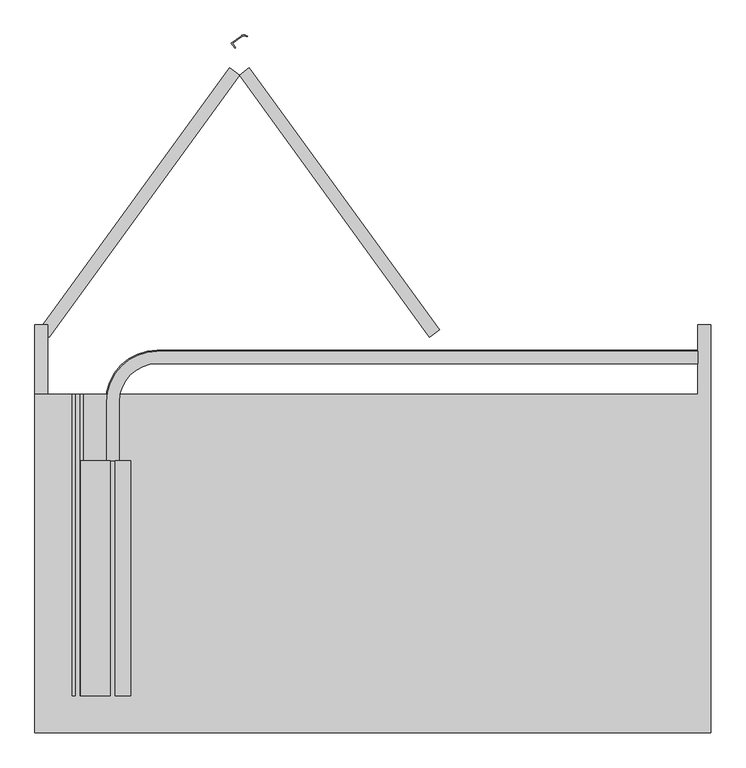
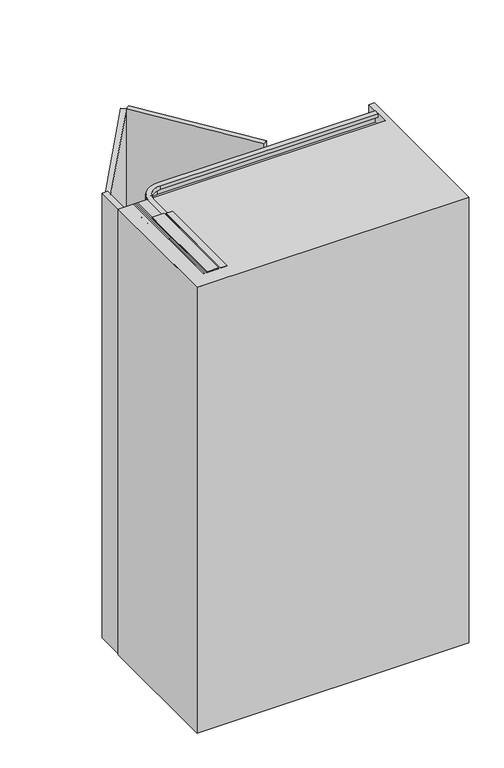
"""IFC4 building model written with IfcOpenShell, lengths in millimetres: furniture geometry."""

from ifc_helpers import new_model, si_unit, point, frame, frame_2d, origin, origin_with_axes, place, context, project, spatial, polyline, circle_curve, trimmed, segment, composite_curve, outline, extrude, faceted_brep, source, transform, mapped, element, save
from ifc_brep_helpers import plane_surface, cylinder_surface, revolved_surface, advanced_brep


def furniture_08386f6d(model_context):
    return source(origin(), model_context, "Body", "SolidModel", [
        extrude(outline(composite_curve([segment(polyline([(175.4393529, 541.7728766), (180.4355276, 534.8962321), (179.2220021, 534.0145543), (173.3441496, 542.1047242), (188.3261992, 552.9898205)]), True, "CONTINUOUS"), segment(trimmed(circle_curve(frame_2d((193.3137225, 546.1250836)), 8.4852814), [point((188.3261992, 552.9898205))], [point((198.6536831, 552.7193858))], False, "CARTESIAN"), True, "CONTINUOUS"), segment(polyline([(198.6536831, 552.7193858), (197.7097025, 551.5536668)]), True, "CONTINUOUS"), segment(trimmed(circle_curve(frame_2d((193.3137225, 546.1250836)), 6.9852814), [point((197.7097025, 551.5536668))], [point((189.2078771, 551.776295))], True, "CARTESIAN"), True, "CONTINUOUS"), segment(polyline([(189.2078771, 551.776295), (175.4393529, 541.7728766)]), True, "CONTINUOUS")], self_intersect=False)), frame((0.0, 0.0, 1110.0), z_axis=(0.0, 0.0, 1.0), x_axis=(1.0, 0.0, 0.0)), (0.0, 0.0, 1.0), 180.0),
        extrude(outline(polyline([(1807.9932635, 18.0), (1807.9932635, -6.170682), (1804.7432635, -6.170682), (1804.7432635, -3.85), (1802.2932635, -3.85), (1802.2932635, -15.85), (1804.7432635, -15.85), (1804.7432635, -13.6), (1810.9932635, -13.6), (1810.9932635, -59.4403391), (1807.0, -56.6442259), (1807.0, -60.2560852), (1801.0432635, -60.2560852), (1801.0432635, -58.0), (1798.7432635, -58.0), (1798.7432635, -70.0), (1801.0432635, -70.0), (1801.0432635, -67.75), (1803.6432635, -67.75), (1803.6432635, -72.0), (1795.3932635, -72.0), (1795.3932635, -67.5), (1792.7432635, -67.5), (1792.7432635, -69.75), (1790.7432635, -69.75), (1790.7432635, -58.25), (1792.7432635, -58.25), (1792.7432635, -60.5), (1795.3932635, -60.5), (1795.3932635, -55.0), (1807.0, -55.0), (1807.0, -20.85), (1752.9932635, -20.85), (1752.9932635, -14.4), (1759.2932635, -8.1), (1760.7932635, -8.1), (1760.7932635, -18.1), (1798.3932635, -18.1), (1798.3932635, -3.85), (1791.8932635, -3.85), (1791.8932635, 0.0), (1804.0042028, 0.0), (1804.0042028, 18.0), (1807.9932635, 18.0)])), frame((0.0, -466.0, 0.0), z_axis=(0.0, 1.0, 0.0), x_axis=(0.0, 0.0, 1.0)), (0.0, 0.0, 1.0), 363.2148209),
        advanced_brep(
        [(894.0, 47.150158, 1791.899902), (894.0, 51.050134, 1791.899902), (894.0, 51.050134, 1798.4), (894.0, 65.250134, 1798.4), (894.0, 65.250134, 1760.8), (894.0, 55.250134, 1760.8), (894.0, 55.250134, 1757.8), (894.0, 61.000134, 1757.8), (894.0, 61.000134, 1753.0), (894.0, 66.000134, 1753.0), (894.0, 66.000134, 1757.8), (894.0, 68.000134, 1757.8), (894.0, 68.000134, 1802.2), (894.0, 66.000134, 1802.2), (894.0, 66.000134, 1807.0), (894.0, 47.150158, 1807.0), (-2.4e-05, -102.7851791, 1791.899902), (-2.4e-05, -102.7851791, 1807.0), (-18.85, -102.7851791, 1807.0), (-18.85, -102.7851791, 1802.2), (-20.85, -102.7851791, 1802.2), (-20.85, -102.7851791, 1757.8), (-18.85, -102.7851791, 1757.8), (-18.85, -102.7851791, 1753.0), (-13.85, -102.7851791, 1753.0), (-13.85, -102.7851791, 1757.8), (-8.1, -102.7851791, 1757.8), (-8.1, -102.7851791, 1760.8), (-18.1, -102.7851791, 1760.8), (-18.1, -102.7851791, 1798.4), (-3.9, -102.7851791, 1798.4), (-3.9, -102.7851791, 1791.899902), (59.150134, 47.150158, 1807.0), (59.150134, 47.150158, 1791.899902), (59.150134, 66.000134, 1807.0), (-18.85, -12.0, 1807.0), (-2.4e-05, -12.0, 1807.0), (59.150134, 66.000134, 1802.2), (59.150134, 68.000134, 1802.2), (-20.85, -12.0, 1802.2), (-18.85, -12.0, 1802.2), (59.150134, 68.000134, 1757.8), (59.150134, 66.000134, 1757.8), (-18.85, -12.0, 1757.8), (-20.85, -12.0, 1757.8), (59.150134, 66.000134, 1753.0), (59.150134, 61.000134, 1753.0), (-13.85, -12.0, 1753.0), (-18.85, -12.0, 1753.0), (59.150134, 61.000134, 1757.8), (59.150134, 55.250134, 1757.8), (-8.1, -12.0, 1757.8), (-13.85, -12.0, 1757.8), (59.150134, 55.250134, 1760.8), (59.150134, 65.250134, 1760.8), (-18.1, -12.0, 1760.8), (-8.1, -12.0, 1760.8), (59.150134, 65.250134, 1798.4), (59.150134, 51.050134, 1798.4), (-3.9, -12.0, 1798.4), (-18.1, -12.0, 1798.4), (59.150134, 51.050134, 1791.899902), (-2.4e-05, -12.0, 1791.899902), (-3.9, -12.0, 1791.899902)],
        [
            (0, 1),
            (1, 2),
            (2, 3),
            (3, 4),
            (4, 5),
            (5, 6),
            (6, 7),
            (7, 8),
            (8, 9),
            (9, 10),
            (10, 11),
            (11, 12),
            (12, 13),
            (13, 14),
            (14, 15),
            (15, 0),
            (16, 17),
            (17, 18),
            (18, 19),
            (19, 20),
            (20, 21),
            (21, 22),
            (22, 23),
            (23, 24),
            (24, 25),
            (25, 26),
            (26, 27),
            (27, 28),
            (28, 29),
            (29, 30),
            (30, 31),
            (31, 16),
            (15, 32),
            (32, 33),
            (33, 0),
            (14, 34),
            (34, 35, circle_curve(frame((59.150134, -12.0, 1807.0), z_axis=(0.0, 0.0, 1.0), x_axis=(0.0, 1.0, 0.0)), 78.000134)),
            (35, 18),
            (17, 36),
            (36, 32, circle_curve(frame((59.150134, -12.0, 1807.0), z_axis=(0.0, 0.0, -1.0), x_axis=(0.0, 1.0, 0.0)), 59.150158)),
            (13, 37),
            (37, 34),
            (12, 38),
            (38, 39, circle_curve(frame((59.150134, -12.0, 1802.2), z_axis=(0.0, 0.0, 1.0), x_axis=(0.0, 1.0, 0.0)), 80.000134)),
            (39, 20),
            (19, 40),
            (40, 37, circle_curve(frame((59.150134, -12.0, 1802.2), z_axis=(0.0, 0.0, -1.0), x_axis=(0.0, 1.0, 0.0)), 78.000134)),
            (11, 41),
            (41, 38),
            (10, 42),
            (42, 43, circle_curve(frame((59.150134, -12.0, 1757.8), z_axis=(0.0, 0.0, 1.0), x_axis=(0.0, 1.0, 0.0)), 78.000134)),
            (43, 22),
            (21, 44),
            (44, 41, circle_curve(frame((59.150134, -12.0, 1757.8), z_axis=(0.0, 0.0, -1.0), x_axis=(0.0, 1.0, 0.0)), 80.000134)),
            (9, 45),
            (45, 42),
            (8, 46),
            (46, 47, circle_curve(frame((59.150134, -12.0, 1753.0), z_axis=(0.0, 0.0, 1.0), x_axis=(0.0, 1.0, 0.0)), 73.000134)),
            (47, 24),
            (23, 48),
            (48, 45, circle_curve(frame((59.150134, -12.0, 1753.0), z_axis=(0.0, 0.0, -1.0), x_axis=(0.0, 1.0, 0.0)), 78.000134)),
            (7, 49),
            (49, 46),
            (6, 50),
            (50, 51, circle_curve(frame((59.150134, -12.0, 1757.8), z_axis=(0.0, 0.0, 1.0), x_axis=(0.0, 1.0, 0.0)), 67.250134)),
            (51, 26),
            (25, 52),
            (52, 49, circle_curve(frame((59.150134, -12.0, 1757.8), z_axis=(0.0, 0.0, -1.0), x_axis=(0.0, 1.0, 0.0)), 73.000134)),
            (5, 53),
            (53, 50),
            (4, 54),
            (54, 55, circle_curve(frame((59.150134, -12.0, 1760.8), z_axis=(0.0, 0.0, 1.0), x_axis=(0.0, 1.0, 0.0)), 77.250134)),
            (55, 28),
            (27, 56),
            (56, 53, circle_curve(frame((59.150134, -12.0, 1760.8), z_axis=(0.0, 0.0, -1.0), x_axis=(0.0, 1.0, 0.0)), 67.250134)),
            (3, 57),
            (57, 54),
            (2, 58),
            (58, 59, circle_curve(frame((59.150134, -12.0, 1798.4), z_axis=(0.0, 0.0, 1.0), x_axis=(0.0, 1.0, 0.0)), 63.050134)),
            (59, 30),
            (29, 60),
            (60, 57, circle_curve(frame((59.150134, -12.0, 1798.4), z_axis=(0.0, 0.0, -1.0), x_axis=(0.0, 1.0, 0.0)), 77.250134)),
            (1, 61),
            (61, 58),
            (33, 62, circle_curve(frame((59.150134, -12.0, 1791.899902), z_axis=(0.0, 0.0, 1.0), x_axis=(0.0, 1.0, 0.0)), 59.150158)),
            (62, 16),
            (31, 63),
            (63, 61, circle_curve(frame((59.150134, -12.0, 1791.899902), z_axis=(0.0, 0.0, -1.0), x_axis=(0.0, 1.0, 0.0)), 63.050134)),
            (36, 62),
            (40, 35),
            (44, 39),
            (48, 43),
            (52, 47),
            (56, 51),
            (60, 55),
            (63, 59),
        ],
        [
            plane_surface(frame((894.0, 88.0, 1807.0), z_axis=(1.0, 0.0, 0.0), x_axis=(0.0, 0.0, 1.0))),
            plane_surface(frame((-40.849866, -102.7851791, 1807.0), z_axis=(0.0, -1.0, 0.0), x_axis=(0.0, 0.0, 1.0))),
            plane_surface(frame((894.0, 47.150158, 1791.899902), z_axis=(0.0, -1.0, 0.0), x_axis=(-1.0, 0.0, 0.0))),
            plane_surface(frame((894.0, 47.150158, 1807.0), z_axis=(0.0, 0.0, 1.0), x_axis=(-1.0, 0.0, 0.0))),
            plane_surface(frame((894.0, 66.000134, 1807.0), z_axis=(0.0, 1.0, 0.0), x_axis=(-1.0, 0.0, 0.0))),
            plane_surface(frame((894.0, 66.000134, 1802.2), z_axis=(0.0, 0.0, 1.0), x_axis=(-1.0, 0.0, 0.0))),
            plane_surface(frame((894.0, 68.000134, 1802.2), z_axis=(0.0, 1.0, 0.0), x_axis=(-1.0, 0.0, 0.0))),
            plane_surface(frame((894.0, 68.000134, 1757.8), z_axis=(0.0, 0.0, -1.0), x_axis=(-1.0, 0.0, 0.0))),
            plane_surface(frame((894.0, 66.000134, 1757.8), z_axis=(0.0, 1.0, 0.0), x_axis=(-1.0, 0.0, 0.0))),
            plane_surface(frame((894.0, 66.000134, 1753.0), z_axis=(0.0, 0.0, -1.0), x_axis=(-1.0, 0.0, 0.0))),
            plane_surface(frame((894.0, 61.000134, 1753.0), z_axis=(0.0, -1.0, 0.0), x_axis=(-1.0, 0.0, 0.0))),
            plane_surface(frame((894.0, 61.000134, 1757.8), z_axis=(0.0, 0.0, -1.0), x_axis=(-1.0, 0.0, 0.0))),
            plane_surface(frame((894.0, 55.250134, 1757.8), z_axis=(0.0, -1.0, 0.0), x_axis=(-1.0, 0.0, 0.0))),
            plane_surface(frame((894.0, 55.250134, 1760.8), z_axis=(0.0, 0.0, 1.0), x_axis=(-1.0, 0.0, 0.0))),
            plane_surface(frame((894.0, 65.250134, 1760.8), z_axis=(0.0, -1.0, 0.0), x_axis=(-1.0, 0.0, 0.0))),
            plane_surface(frame((894.0, 65.250134, 1798.4), z_axis=(0.0, 0.0, -1.0), x_axis=(-1.0, 0.0, 0.0))),
            plane_surface(frame((894.0, 51.050134, 1798.4), z_axis=(0.0, 1.0, 0.0), x_axis=(-1.0, 0.0, 0.0))),
            plane_surface(frame((894.0, 51.050134, 1791.899902), z_axis=(0.0, 0.0, -1.0), x_axis=(-1.0, 0.0, 0.0))),
            revolved_surface(polyline([(59.150134, 47.150158, 1791.899902), (59.150134, 47.150158, 1807.0)]), (59.150134, -12.0, 1807.0), (0.0, 0.0, -1.0)),
            cylinder_surface(frame((59.150134, -12.0, 1807.0), z_axis=(0.0, 0.0, -1.0), x_axis=(0.0, 1.0, 0.0)), 78.000134),
            cylinder_surface(frame((59.150134, -12.0, 1807.0), z_axis=(0.0, 0.0, -1.0), x_axis=(0.0, 1.0, 0.0)), 80.000134),
            revolved_surface(polyline([(59.150134, 61.000134, 1753.0), (59.150134, 61.000134, 1757.8)]), (59.150134, -12.0, 1807.0), (0.0, 0.0, -1.0)),
            revolved_surface(polyline([(59.150134, 55.250134, 1757.8), (59.150134, 55.250134, 1760.8)]), (59.150134, -12.0, 1807.0), (0.0, 0.0, -1.0)),
            revolved_surface(polyline([(59.150134, 65.250134, 1760.8), (59.150134, 65.250134, 1798.4)]), (59.150134, -12.0, 1807.0), (0.0, 0.0, -1.0)),
            cylinder_surface(frame((59.150134, -12.0, 1807.0), z_axis=(0.0, 0.0, -1.0), x_axis=(0.0, 1.0, 0.0)), 63.050134),
            plane_surface(frame((-2.4e-05, -12.0, 1791.899902), z_axis=(1.0, 0.0, 0.0), x_axis=(0.0, -1.0, 0.0))),
            plane_surface(frame((-18.85, -12.0, 1807.0), z_axis=(-1.0, 0.0, 0.0), x_axis=(0.0, -1.0, 0.0))),
            plane_surface(frame((-20.85, -12.0, 1802.2), z_axis=(-1.0, 0.0, 0.0), x_axis=(0.0, -1.0, 0.0))),
            plane_surface(frame((-18.85, -12.0, 1757.8), z_axis=(-1.0, 0.0, 0.0), x_axis=(0.0, -1.0, 0.0))),
            plane_surface(frame((-13.85, -12.0, 1753.0), z_axis=(1.0, 0.0, 0.0), x_axis=(0.0, -1.0, 0.0))),
            plane_surface(frame((-8.1, -12.0, 1757.8), z_axis=(1.0, 0.0, 0.0), x_axis=(0.0, -1.0, 0.0))),
            plane_surface(frame((-18.1, -12.0, 1760.8), z_axis=(1.0, 0.0, 0.0), x_axis=(0.0, -1.0, 0.0))),
            plane_surface(frame((-3.9, -12.0, 1798.4), z_axis=(-1.0, 0.0, 0.0), x_axis=(0.0, -1.0, 0.0))),
        ],
        [
            (0, [[1, 2, 3, 4, 5, 6, 7, 8, 9, 10, 11, 12, 13, 14, 15, 16]]),
            (1, [[17, 18, 19, 20, 21, 22, 23, 24, 25, 26, 27, 28, 29, 30, 31, 32]]),
            (2, [[33, 34, 35, -16]]),
            (3, [[36, 37, 38, -18, 39, 40, -33, -15]]),
            (4, [[41, 42, -36, -14]]),
            (5, [[43, 44, 45, -20, 46, 47, -41, -13]]),
            (6, [[48, 49, -43, -12]]),
            (7, [[50, 51, 52, -22, 53, 54, -48, -11]]),
            (8, [[55, 56, -50, -10]]),
            (9, [[57, 58, 59, -24, 60, 61, -55, -9]]),
            (10, [[62, 63, -57, -8]]),
            (11, [[64, 65, 66, -26, 67, 68, -62, -7]]),
            (12, [[69, 70, -64, -6]]),
            (13, [[71, 72, 73, -28, 74, 75, -69, -5]]),
            (14, [[76, 77, -71, -4]]),
            (15, [[78, 79, 80, -30, 81, 82, -76, -3]]),
            (16, [[83, 84, -78, -2]]),
            (17, [[-35, 85, 86, -32, 87, 88, -83, -1]]),
            (18, [[89, -85, -34, -40]]),
            (19, [[90, -37, -42, -47]]),
            (20, [[91, -44, -49, -54]]),
            (19, [[92, -51, -56, -61]]),
            (21, [[93, -58, -63, -68]]),
            (22, [[94, -65, -70, -75]]),
            (23, [[95, -72, -77, -82]]),
            (24, [[96, -79, -84, -88]]),
            (25, [[-39, -17, -86, -89]]),
            (26, [[-46, -19, -38, -90]]),
            (27, [[-53, -21, -45, -91]]),
            (28, [[-60, -23, -52, -92]]),
            (29, [[-67, -25, -59, -93]]),
            (30, [[-74, -27, -66, -94]]),
            (31, [[-81, -29, -73, -95]]),
            (32, [[-87, -31, -80, -96]]),
        ],
    ),
        extrude(outline(polyline([(479.7852523, 88.0), (185.8926261, 492.5084972), (201.263949, 503.676417), (495.1565752, 99.1679198), (479.7852523, 88.0)])), frame((0.0, 0.0, 5.0), z_axis=(0.0, 0.0, 1.0), x_axis=(1.0, 0.0, 0.0)), (0.0, 0.0, 1.0), 1800.0),
        extrude(outline(polyline([(-123.3713229, 99.1679198), (170.5213033, 503.676417), (185.8926261, 492.5084972), (-108.0, 88.0), (-123.3713229, 99.1679198)])), frame((0.0, 0.0, 5.0), z_axis=(0.0, 0.0, 1.0), x_axis=(1.0, 0.0, 0.0)), (0.0, 0.0, 1.0), 1800.0),
        advanced_brep(
        [(-75.6336873, -23.1375322, 1765.724276), (-71.625465, -23.1375322, 1765.724276), (-67.2507667, -23.1375322, 1761.3495777), (-63.4737348, -23.1375322, 1761.3495777), (-63.4737348, -23.1375322, 1733.0547299), (-75.6336873, -23.1375322, 1733.0547299), (-75.6336873, -82.3672808, 1765.724276), (-75.6336873, -82.3672808, 1733.0547299), (-63.4737348, -82.3672808, 1733.0547299), (-63.4737348, -82.3672808, 1761.3495777), (-67.2507667, -82.3672808, 1761.3495777), (-71.625465, -82.3672808, 1765.724276), (-63.4737348, -33.0799821, 1758.673583), (-63.4737348, -26.647587, 1758.673583), (-63.4737348, -26.647587, 1754.158508), (-63.4737348, -33.0799821, 1754.158508), (-63.4737348, -39.5123773, 1754.158508), (-63.4737348, -39.5123773, 1758.673583), (-63.4737348, -72.4549821, 1758.673583), (-63.4737348, -66.022587, 1758.673583), (-63.4737348, -66.022587, 1754.158508), (-63.4737348, -72.4549821, 1754.158508), (-63.4737348, -78.8873773, 1754.158508), (-63.4737348, -78.8873773, 1758.673583), (-57.5, -33.0799821, 1758.673583), (-57.5, -33.0799821, 1754.158508), (-57.5, -72.4549821, 1758.673583), (-57.5, -72.4549821, 1754.158508)],
        [
            (0, 1),
            (1, 2),
            (2, 3),
            (3, 4),
            (4, 5),
            (5, 0),
            (6, 7),
            (7, 8),
            (8, 9),
            (9, 10),
            (10, 11),
            (11, 6),
            (5, 7),
            (6, 0),
            (4, 8),
            (3, 9),
            (12, 13),
            (13, 14),
            (14, 15),
            (15, 16),
            (16, 17),
            (17, 12),
            (18, 19),
            (19, 20),
            (20, 21),
            (21, 22),
            (22, 23),
            (23, 18),
            (2, 10),
            (1, 11),
            (17, 24, circle_curve(frame((-63.950003, -33.0799821, 1758.673583), z_axis=(0.0, 0.0, 1.0), x_axis=(1.0, 0.0, 0.0)), 6.450003)),
            (24, 12),
            (24, 13, circle_curve(frame((-63.950003, -33.0799821, 1758.673583), z_axis=(0.0, 0.0, 1.0), x_axis=(1.0, 0.0, 0.0)), 6.450003)),
            (25, 16, circle_curve(frame((-63.950003, -33.0799821, 1754.158508), z_axis=(0.0, 0.0, -1.0), x_axis=(1.0, 0.0, 0.0)), 6.450003)),
            (15, 25),
            (14, 25, circle_curve(frame((-63.950003, -33.0799821, 1754.158508), z_axis=(0.0, 0.0, -1.0), x_axis=(1.0, 0.0, 0.0)), 6.450003)),
            (25, 24),
            (23, 26, circle_curve(frame((-63.950003, -72.4549821, 1758.673583), z_axis=(0.0, 0.0, 1.0), x_axis=(1.0, 0.0, 0.0)), 6.450003)),
            (26, 18),
            (26, 19, circle_curve(frame((-63.950003, -72.4549821, 1758.673583), z_axis=(0.0, 0.0, 1.0), x_axis=(1.0, 0.0, 0.0)), 6.450003)),
            (27, 22, circle_curve(frame((-63.950003, -72.4549821, 1754.158508), z_axis=(0.0, 0.0, -1.0), x_axis=(1.0, 0.0, 0.0)), 6.450003)),
            (21, 27),
            (20, 27, circle_curve(frame((-63.950003, -72.4549821, 1754.158508), z_axis=(0.0, 0.0, -1.0), x_axis=(1.0, 0.0, 0.0)), 6.450003)),
            (27, 26),
        ],
        [
            plane_surface(frame((-75.6336873, -23.1375322, 1765.724276), z_axis=(0.0, 1.0, 0.0), x_axis=(0.0, 0.0, -1.0))),
            plane_surface(frame((-75.6336873, -82.3672808, 1765.724276), z_axis=(0.0, -1.0, 0.0), x_axis=(0.0, 0.0, 1.0))),
            plane_surface(frame((-75.6336873, -23.1375322, 1765.724276), z_axis=(-1.0, 0.0, 0.0), x_axis=(0.0, -1.0, 0.0))),
            plane_surface(frame((-75.6336873, -23.1375322, 1733.0547299), z_axis=(0.0, 0.0, -1.0), x_axis=(0.0, -1.0, 0.0))),
            plane_surface(frame((-63.4737348, -23.1375322, 1733.0547299), z_axis=(1.0, 0.0, 0.0), x_axis=(0.0, -1.0, 0.0))),
            plane_surface(frame((-63.4737348, -23.1375322, 1761.3495777), z_axis=(0.0, 0.0, 1.0), x_axis=(0.0, -1.0, 0.0))),
            plane_surface(frame((-67.2507667, -23.1375322, 1761.3495777), z_axis=(0.7071067811865492, 0.0, 0.7071067811865459), x_axis=(0.0, -1.0, 0.0))),
            plane_surface(frame((-71.625465, -23.1375322, 1765.724276), z_axis=(0.0, 0.0, 1.0), x_axis=(0.0, -1.0, 0.0))),
            plane_surface(frame((-63.950003, -33.0799821, 1758.673583), z_axis=(0.0, 0.0, 1.0), x_axis=(1.0, 0.0, 0.0))),
            plane_surface(frame((-63.950003, -33.0799821, 1754.158508), z_axis=(0.0, 0.0, -1.0), x_axis=(1.0, 0.0, 0.0))),
            cylinder_surface(frame((-63.950003, -33.0799821, 1759.795738), z_axis=(0.0, 0.0, 1.0), x_axis=(1.0, 0.0, 0.0)), 6.450003),
            plane_surface(frame((-63.950003, -72.4549821, 1758.673583), z_axis=(0.0, 0.0, 1.0), x_axis=(1.0, 0.0, 0.0))),
            plane_surface(frame((-63.950003, -72.4549821, 1754.158508), z_axis=(0.0, 0.0, -1.0), x_axis=(1.0, 0.0, 0.0))),
            cylinder_surface(frame((-63.950003, -72.4549821, 1759.795738), z_axis=(0.0, 0.0, 1.0), x_axis=(1.0, 0.0, 0.0)), 6.450003),
        ],
        [
            (0, [[1, 2, 3, 4, 5, 6]]),
            (1, [[7, 8, 9, 10, 11, 12]]),
            (2, [[13, -7, 14, -6]]),
            (3, [[15, -8, -13, -5]]),
            (4, [[16, -9, -15, -4], [17, 18, 19, 20, 21, 22], [23, 24, 25, 26, 27, 28]]),
            (5, [[29, -10, -16, -3]]),
            (6, [[30, -11, -29, -2]]),
            (7, [[-14, -12, -30, -1]]),
            (8, [[-22, 31, 32]]),
            (8, [[33, -17, -32]]),
            (9, [[34, -20, 35]]),
            (9, [[-19, 36, -35]]),
            (10, [[-31, -21, -34, 37]]),
            (10, [[-36, -18, -33, -37]]),
            (11, [[-28, 38, 39]]),
            (11, [[40, -23, -39]]),
            (12, [[41, -26, 42]]),
            (12, [[-25, 43, -42]]),
            (13, [[-38, -27, -41, 44]]),
            (13, [[-43, -24, -40, -44]]),
        ],
    ),
        advanced_brep(
        [(-67.900202, -72.4549821, 1784.308626), (-67.900202, -72.4549821, 1799.308626), (-67.900202, -72.4549821, 1769.308626), (-66.9872489, -72.4549821, 1799.308626), (-66.9872489, -72.4549821, 1769.308626), (-59.900202, -72.4549821, 1799.308626), (-59.900202, -72.4549821, 1789.3459789), (-59.900202, -72.4549821, 1779.2712731), (-59.900202, -72.4549821, 1769.308626), (-58.400202, -72.4549821, 1788.2956676), (-58.400202, -72.4549821, 1780.3215844), (-58.400202, -72.4549821, 1784.308626), (-60.9142761, -72.4549821, 1799.308626), (-60.9142761, -72.4549821, 1769.308626), (-62.91385, -72.4549821, 1797.3090521), (-62.91385, -72.4549821, 1771.3081999), (-64.9876751, -72.4549821, 1797.3090521), (-64.9876751, -72.4549821, 1771.3081999)],
        [
            (0, 1),
            (1, 2, circle_curve(frame((-67.900202, -72.4549821, 1784.308626), z_axis=(-1.0, 0.0, 0.0), x_axis=(0.0, 0.0, -1.0)), 15.0)),
            (2, 0),
            (2, 1, circle_curve(frame((-67.900202, -72.4549821, 1784.308626), z_axis=(-1.0, 0.0, 0.0), x_axis=(0.0, 0.0, -1.0)), 15.0)),
            (1, 3),
            (3, 4, circle_curve(frame((-66.9872489, -72.4549821, 1784.308626), z_axis=(-1.0, 0.0, 0.0), x_axis=(0.0, 0.0, -1.0)), 15.0)),
            (4, 2),
            (4, 3, circle_curve(frame((-66.9872489, -72.4549821, 1784.308626), z_axis=(-1.0, 0.0, 0.0), x_axis=(0.0, 0.0, -1.0)), 15.0)),
            (5, 6),
            (6, 7, circle_curve(frame((-59.900202, -72.4549821, 1784.308626), z_axis=(-1.0, 0.0, 0.0), x_axis=(0.0, 0.0, -1.0)), 5.0373529)),
            (7, 8),
            (8, 5, circle_curve(frame((-59.900202, -72.4549821, 1784.308626), z_axis=(1.0, 0.0, 0.0), x_axis=(0.0, 0.0, -1.0)), 15.0)),
            (7, 6, circle_curve(frame((-59.900202, -72.4549821, 1784.308626), z_axis=(-1.0, 0.0, 0.0), x_axis=(0.0, 0.0, -1.0)), 5.0373529)),
            (5, 8, circle_curve(frame((-59.900202, -72.4549821, 1784.308626), z_axis=(1.0, 0.0, 0.0), x_axis=(0.0, 0.0, -1.0)), 15.0)),
            (6, 9),
            (9, 10, circle_curve(frame((-58.400202, -72.4549821, 1784.308626), z_axis=(-1.0, 0.0, 0.0), x_axis=(0.0, 0.0, -1.0)), 3.9870416)),
            (10, 7),
            (10, 9, circle_curve(frame((-58.400202, -72.4549821, 1784.308626), z_axis=(-1.0, 0.0, 0.0), x_axis=(0.0, 0.0, -1.0)), 3.9870416)),
            (9, 11),
            (11, 10),
            (12, 5),
            (8, 13),
            (13, 12, circle_curve(frame((-60.9142761, -72.4549821, 1784.308626), z_axis=(1.0, 0.0, 0.0), x_axis=(0.0, 0.0, -1.0)), 15.0)),
            (12, 13, circle_curve(frame((-60.9142761, -72.4549821, 1784.308626), z_axis=(1.0, 0.0, 0.0), x_axis=(0.0, 0.0, -1.0)), 15.0)),
            (14, 12),
            (13, 15),
            (15, 14, circle_curve(frame((-62.91385, -72.4549821, 1784.308626), z_axis=(1.0, 0.0, 0.0), x_axis=(0.0, 0.0, -1.0)), 13.0004261)),
            (14, 15, circle_curve(frame((-62.91385, -72.4549821, 1784.308626), z_axis=(1.0, 0.0, 0.0), x_axis=(0.0, 0.0, -1.0)), 13.0004261)),
            (16, 14),
            (15, 17),
            (17, 16, circle_curve(frame((-64.9876751, -72.4549821, 1784.308626), z_axis=(1.0, 0.0, 0.0), x_axis=(0.0, 0.0, -1.0)), 13.0004261)),
            (16, 17, circle_curve(frame((-64.9876751, -72.4549821, 1784.308626), z_axis=(1.0, 0.0, 0.0), x_axis=(0.0, 0.0, -1.0)), 13.0004261)),
            (3, 16),
            (17, 4),
        ],
        [
            plane_surface(frame((-67.900202, -72.4549821, 1784.308626), z_axis=(-1.0, 0.0, 0.0), x_axis=(0.0, 0.0, -1.0))),
            cylinder_surface(frame((-58.400202, -72.4549821, 1784.308626), z_axis=(-1.0, 0.0, 0.0), x_axis=(0.0, 0.0, -1.0)), 15.0),
            plane_surface(frame((-59.900202, -72.4549821, 1784.308626), z_axis=(1.0, 0.0, 0.0), x_axis=(0.0, 0.0, -1.0))),
            revolved_surface(polyline([(-58.400202, -72.4549821, 1780.3215844), (-59.900202, -72.4549821, 1779.2712731)]), (-58.400202, -72.4549821, 1784.308626), (-1.0, 0.0, 0.0)),
            plane_surface(frame((-58.400202, -72.4549821, 1784.308626), z_axis=(1.0, 0.0, 0.0), x_axis=(0.0, 0.0, -1.0))),
            revolved_surface(polyline([(-60.9142761, -72.4549821, 1769.308626), (-62.91385, -72.4549821, 1771.3081999)]), (-58.400202, -72.4549821, 1784.308626), (-1.0, 0.0, 0.0)),
            cylinder_surface(frame((-58.400202, -72.4549821, 1784.308626), z_axis=(-1.0, 0.0, 0.0), x_axis=(0.0, 0.0, -1.0)), 13.0004261),
            revolved_surface(polyline([(-64.9876751, -72.4549821, 1771.3081999), (-66.9872489, -72.4549821, 1769.308626)]), (-58.400202, -72.4549821, 1784.308626), (-1.0, 0.0, 0.0)),
        ],
        [
            (0, [[1, 2, 3]]),
            (0, [[-3, 4, -1]]),
            (1, [[5, 6, 7, -2]]),
            (1, [[-7, 8, -5, -4]]),
            (2, [[9, 10, 11, 12]]),
            (2, [[-11, 13, -9, 14]]),
            (3, [[15, 16, 17, -10]]),
            (3, [[-17, 18, -15, -13]]),
            (4, [[19, 20, -16]]),
            (4, [[-20, -19, -18]]),
            (1, [[21, -12, 22, 23]]),
            (1, [[-22, -14, -21, 24]]),
            (5, [[25, -23, 26, 27]]),
            (5, [[-26, -24, -25, 28]]),
            (6, [[29, -27, 30, 31]]),
            (6, [[-30, -28, -29, 32]]),
            (7, [[33, -31, 34, -6]]),
            (7, [[-34, -32, -33, -8]]),
        ],
    ),
        extrude(outline(polyline([(-67.4751845, -70.1923392), (-68.8680425, -70.1923392), (-70.714577, -68.3458047), (-70.714577, -48.3458047), (-68.7451872, -46.3764149), (-67.4751845, -46.3764149), (-67.4751845, -42.7986729), (-64.9743712, -42.7986729), (-64.9743712, -49.6597808), (-66.8013734, -51.486783), (-66.8013734, -65.0731271), (-64.9743712, -66.9001293), (-64.9743712, -73.7061401), (-67.4751845, -73.7061401), (-67.4751845, -70.1923392)])), frame((0.0, 0.0, 1714.5347501), z_axis=(0.0, 0.0, 1.0), x_axis=(1.0, 0.0, 0.0)), (0.0, 0.0, 1.0), 18.5199799),
        extrude(outline(polyline([(-67.7993712, -44.5272199), (-67.7993712, -60.9375972), (-73.2501515, -60.9375972), (-73.2501515, -44.5272199), (-67.7993712, -44.5272199)])), frame((0.0, 0.0, 1761.3495777), z_axis=(0.0, 0.0, 1.0), x_axis=(1.0, 0.0, 0.0)), (0.0, 0.0, 1.0), 16.9521965),
        advanced_brep(
        [(-67.900202, -33.0799821, 1784.125), (-67.900202, -33.0799821, 1799.125), (-67.900202, -33.0799821, 1769.125), (-66.9872489, -33.0799821, 1799.125), (-66.9872489, -33.0799821, 1769.125), (-59.900202, -33.0799821, 1799.125), (-59.900202, -33.0799821, 1789.1623529), (-59.900202, -33.0799821, 1779.0876471), (-59.900202, -33.0799821, 1769.125), (-58.400202, -33.0799821, 1788.1120416), (-58.400202, -33.0799821, 1780.1379584), (-58.400202, -33.0799821, 1784.125), (-60.9142761, -33.0799821, 1799.125), (-60.9142761, -33.0799821, 1769.125), (-62.91385, -33.0799821, 1797.1254261), (-62.91385, -33.0799821, 1771.1245739), (-64.9876751, -33.0799821, 1797.1254261), (-64.9876751, -33.0799821, 1771.1245739)],
        [
            (0, 1),
            (1, 2, circle_curve(frame((-67.900202, -33.0799821, 1784.125), z_axis=(-1.0, 0.0, 0.0), x_axis=(0.0, 0.0, -1.0)), 15.0)),
            (2, 0),
            (2, 1, circle_curve(frame((-67.900202, -33.0799821, 1784.125), z_axis=(-1.0, 0.0, 0.0), x_axis=(0.0, 0.0, -1.0)), 15.0)),
            (1, 3),
            (3, 4, circle_curve(frame((-66.9872489, -33.0799821, 1784.125), z_axis=(-1.0, 0.0, 0.0), x_axis=(0.0, 0.0, -1.0)), 15.0)),
            (4, 2),
            (4, 3, circle_curve(frame((-66.9872489, -33.0799821, 1784.125), z_axis=(-1.0, 0.0, 0.0), x_axis=(0.0, 0.0, -1.0)), 15.0)),
            (5, 6),
            (6, 7, circle_curve(frame((-59.900202, -33.0799821, 1784.125), z_axis=(-1.0, 0.0, 0.0), x_axis=(0.0, 0.0, -1.0)), 5.0373529)),
            (7, 8),
            (8, 5, circle_curve(frame((-59.900202, -33.0799821, 1784.125), z_axis=(1.0, 0.0, 0.0), x_axis=(0.0, 0.0, -1.0)), 15.0)),
            (7, 6, circle_curve(frame((-59.900202, -33.0799821, 1784.125), z_axis=(-1.0, 0.0, 0.0), x_axis=(0.0, 0.0, -1.0)), 5.0373529)),
            (5, 8, circle_curve(frame((-59.900202, -33.0799821, 1784.125), z_axis=(1.0, 0.0, 0.0), x_axis=(0.0, 0.0, -1.0)), 15.0)),
            (6, 9),
            (9, 10, circle_curve(frame((-58.400202, -33.0799821, 1784.125), z_axis=(-1.0, 0.0, 0.0), x_axis=(0.0, 0.0, -1.0)), 3.9870416)),
            (10, 7),
            (10, 9, circle_curve(frame((-58.400202, -33.0799821, 1784.125), z_axis=(-1.0, 0.0, 0.0), x_axis=(0.0, 0.0, -1.0)), 3.9870416)),
            (9, 11),
            (11, 10),
            (12, 5),
            (8, 13),
            (13, 12, circle_curve(frame((-60.9142761, -33.0799821, 1784.125), z_axis=(1.0, 0.0, 0.0), x_axis=(0.0, 0.0, -1.0)), 15.0)),
            (12, 13, circle_curve(frame((-60.9142761, -33.0799821, 1784.125), z_axis=(1.0, 0.0, 0.0), x_axis=(0.0, 0.0, -1.0)), 15.0)),
            (14, 12),
            (13, 15),
            (15, 14, circle_curve(frame((-62.91385, -33.0799821, 1784.125), z_axis=(1.0, 0.0, 0.0), x_axis=(0.0, 0.0, -1.0)), 13.0004261)),
            (14, 15, circle_curve(frame((-62.91385, -33.0799821, 1784.125), z_axis=(1.0, 0.0, 0.0), x_axis=(0.0, 0.0, -1.0)), 13.0004261)),
            (16, 14),
            (15, 17),
            (17, 16, circle_curve(frame((-64.9876751, -33.0799821, 1784.125), z_axis=(1.0, 0.0, 0.0), x_axis=(0.0, 0.0, -1.0)), 13.0004261)),
            (16, 17, circle_curve(frame((-64.9876751, -33.0799821, 1784.125), z_axis=(1.0, 0.0, 0.0), x_axis=(0.0, 0.0, -1.0)), 13.0004261)),
            (3, 16),
            (17, 4),
        ],
        [
            plane_surface(frame((-67.900202, -33.0799821, 1784.125), z_axis=(-1.0, 0.0, 0.0), x_axis=(0.0, 0.0, -1.0))),
            cylinder_surface(frame((-58.400202, -33.0799821, 1784.125), z_axis=(-1.0, 0.0, 0.0), x_axis=(0.0, 0.0, -1.0)), 15.0),
            plane_surface(frame((-59.900202, -33.0799821, 1784.125), z_axis=(1.0, 0.0, 0.0), x_axis=(0.0, 0.0, -1.0))),
            revolved_surface(polyline([(-58.400202, -33.0799821, 1780.1379584), (-59.900202, -33.0799821, 1779.0876471)]), (-58.400202, -33.0799821, 1784.125), (-1.0, 0.0, 0.0)),
            plane_surface(frame((-58.400202, -33.0799821, 1784.125), z_axis=(1.0, 0.0, 0.0), x_axis=(0.0, 0.0, -1.0))),
            revolved_surface(polyline([(-60.9142761, -33.0799821, 1769.125), (-62.91385, -33.0799821, 1771.1245739)]), (-58.400202, -33.0799821, 1784.125), (-1.0, 0.0, 0.0)),
            cylinder_surface(frame((-58.400202, -33.0799821, 1784.125), z_axis=(-1.0, 0.0, 0.0), x_axis=(0.0, 0.0, -1.0)), 13.0004261),
            revolved_surface(polyline([(-64.9876751, -33.0799821, 1771.1245739), (-66.9872489, -33.0799821, 1769.125)]), (-58.400202, -33.0799821, 1784.125), (-1.0, 0.0, 0.0)),
        ],
        [
            (0, [[1, 2, 3]]),
            (0, [[-3, 4, -1]]),
            (1, [[5, 6, 7, -2]]),
            (1, [[-7, 8, -5, -4]]),
            (2, [[9, 10, 11, 12]]),
            (2, [[-11, 13, -9, 14]]),
            (3, [[15, 16, 17, -10]]),
            (3, [[-17, 18, -15, -13]]),
            (4, [[19, 20, -16]]),
            (4, [[-20, -19, -18]]),
            (1, [[21, -12, 22, 23]]),
            (1, [[-22, -14, -21, 24]]),
            (5, [[25, -23, 26, 27]]),
            (5, [[-26, -24, -25, 28]]),
            (6, [[29, -27, 30, 31]]),
            (6, [[-30, -28, -29, 32]]),
            (7, [[33, -31, 34, -6]]),
            (7, [[-34, -32, -33, -8]]),
        ],
    ),
        extrude(outline(polyline([(-67.7993712, -18.5522242), (-67.7993712, -86.9089943), (-75.365636, -86.9089943), (-75.365636, -18.5522242), (-67.7993712, -18.5522242)])), frame((0.0, 0.0, 1778.3017742), z_axis=(0.0, 0.0, 1.0), x_axis=(1.0, 0.0, 0.0)), (0.0, 0.0, 1.0), 11.7055952),
        extrude(outline(polyline([(19.0, -72.0), (0.0, -72.0), (0.0, -67.75), (2.25, -67.75), (2.25, -70.0), (4.9, -70.0), (4.9, -58.0), (2.25, -58.0), (2.25, -60.25), (0.0, -60.25), (0.0, -55.0), (58.5663764, -55.0), (59.0913089, -61.0), (56.1547673, -61.0), (56.1547673, -57.5), (40.5, -57.5), (40.5, -61.0), (37.5, -61.0), (37.5, -58.0104888), (7.5, -58.0104888), (7.5, -70.0), (19.0, -70.0), (19.0, -72.0)])), frame((0.0, -466.0, 0.0), z_axis=(0.0, 1.0, 0.0), x_axis=(0.0, 0.0, 1.0)), (0.0, 0.0, 1.0), 466.0),
        extrude(outline(composite_curve([segment(polyline([(1795.0, -70.0), (1799.5, -70.0), (1799.5, -58.0104888), (1768.5, -58.0104888), (1768.5, -61.2084017)]), True, "CONTINUOUS"), segment(trimmed(circle_curve(frame_2d((1767.9551158, -63.95)), 2.7952209), [point((1768.5, -61.2084017))], [point((1769.1, -66.5))], False, "CARTESIAN"), True, "CONTINUOUS"), segment(polyline([(1769.1, -66.5), (1766.0, -66.5), (1766.0, -57.5), (1750.8452327, -57.5), (1750.8452327, -61.0), (1747.9086911, -61.0), (1748.4336236, -55.0), (1807.0, -55.0), (1807.0, -60.25), (1804.75, -60.25), (1804.75, -58.0), (1802.1, -58.0), (1802.1, -70.0), (1804.75, -70.0), (1804.75, -67.75), (1807.0, -67.75), (1807.0, -72.0), (1795.0, -72.0), (1795.0, -70.0)]), True, "CONTINUOUS")], self_intersect=False)), frame((0.0, -466.0, 0.0), z_axis=(0.0, 1.0, 0.0), x_axis=(0.0, 0.0, 1.0)), (0.0, 0.0, 1.0), 466.0),
        faceted_brep([(-70.8313044, -49.5061401, 35.9), (-70.8313044, -49.5061401, 23.9), (-70.8313044, -73.7061401, 23.9), (-70.8313044, -73.7061401, 35.9), (-68.8052444, -73.7061401, 35.9), (-68.8052444, -73.7061401, 23.9), (-68.8052444, -49.5061401, 23.9), (-68.8052444, -49.5061401, 35.9), (-69.2052444, -73.7061401, 21.301924), (-69.2052444, -73.7061401, 23.9), (-69.2052444, -49.5061401, 23.9), (-69.2052444, -49.5061401, 21.301924), (-65.2052444, -86.5061401, 23.9), (-62.7858983, -86.5061401, 23.9), (-58.8052444, -82.5254862, 23.9), (-58.8052444, -40.5061401, 23.9), (-62.8052444, -36.5061401, 23.9), (-65.2052444, -36.5061401, 23.9), (-69.2052444, -40.5061401, 23.9), (-69.2052444, -82.5061401, 23.9), (-58.8052444, -75.0061401, 11.0920874), (-69.2052444, -75.0061401, 11.0920874), (-69.2052444, -47.8601898, 11.0920874), (-58.8052444, -47.8601898, 11.0920874), (-69.2052444, -82.5061401, 16.45), (-65.2052444, -86.5061401, 16.45), (-69.2052444, -75.0061401, 16.45), (-69.2052444, -40.5061401, 16.45), (-69.2052444, -47.8601898, 16.45), (-69.2052444, -69.0061401, 17.2), (-69.2052444, -69.0061401, 13.4378021), (-69.2052444, -54.0061401, 13.4378021), (-69.2052444, -54.0061401, 17.2), (-65.2052444, -36.5061401, 16.45), (-62.8052444, -36.5061401, 16.45), (-58.8052444, -40.5061401, 16.45), (-58.8052444, -82.5254862, 16.45), (-58.8052444, -75.0061401, 16.45), (-58.8052444, -47.8601898, 16.45), (-58.8052444, -54.0061401, 17.2), (-58.8052444, -54.0061401, 13.4378021), (-58.8052444, -69.0061401, 13.4378021), (-58.8052444, -69.0061401, 17.2), (-62.7858983, -86.5061401, 16.45)], [[[0, 1, 2, 3]], [[4, 5, 6, 7]], [[3, 4, 7, 0]], [[3, 2, 8, 9, 5, 4]], [[7, 6, 10, 11, 1, 0]], [[1, 11, 8, 2]], [[12, 13, 14, 15, 16, 17, 18, 10, 6, 5, 9, 19]], [[20, 21, 22, 23]], [[19, 24, 25, 12]], [[21, 26, 24, 19, 9, 8, 11, 10, 18, 27, 28, 22], [29, 30, 31, 32]], [[17, 33, 27, 18]], [[16, 34, 33, 17]], [[15, 35, 34, 16]], [[14, 36, 37, 20, 23, 38, 35, 15], [39, 40, 41, 42]], [[13, 43, 36, 14]], [[12, 25, 43, 13]], [[37, 36, 43, 25, 24, 26]], [[26, 21, 20, 37]], [[29, 32, 39, 42]], [[42, 41, 30, 29]], [[32, 31, 40, 39]], [[28, 27, 33, 34, 35, 38]], [[38, 23, 22, 28]], [[41, 40, 31, 30]]]),
        extrude(outline(composite_curve([segment(trimmed(circle_curve(frame_2d((-64.0052444, -42.1831649)), 5.75), [point((-64.0052444, -47.9331649))], [point((-64.0052444, -36.4331649))], False, "CARTESIAN"), True, "CONTINUOUS"), segment(trimmed(circle_curve(frame_2d((-64.0052444, -42.1831649)), 5.75), [point((-64.0052444, -36.4331649))], [point((-64.0052444, -47.9331649))], False, "CARTESIAN"), True, "CONTINUOUS")], self_intersect=False)), frame((0.0, 0.0, 8.65), z_axis=(0.0, 0.0, 1.0), x_axis=(1.0, 0.0, 0.0)), (0.0, 0.0, 1.0), 7.3),
        extrude(outline(composite_curve([segment(trimmed(circle_curve(frame_2d((-64.0052444, -61.5061401)), 5.75), [point((-64.0052444, -67.2561401))], [point((-64.0052444, -55.7561401))], False, "CARTESIAN"), True, "CONTINUOUS"), segment(trimmed(circle_curve(frame_2d((-64.0052444, -61.5061401)), 5.75), [point((-64.0052444, -55.7561401))], [point((-64.0052444, -67.2561401))], False, "CARTESIAN"), True, "CONTINUOUS")], self_intersect=False)), frame((0.0, 0.0, 13.4378021), z_axis=(0.0, 0.0, 1.0), x_axis=(1.0, 0.0, 0.0)), (0.0, 0.0, 1.0), 3.7621979),
        extrude(outline(composite_curve([segment(trimmed(circle_curve(frame_2d((-64.0052444, -80.7561401)), 5.75), [point((-64.0052444, -86.5061401))], [point((-64.0052444, -75.0061401))], False, "CARTESIAN"), True, "CONTINUOUS"), segment(trimmed(circle_curve(frame_2d((-64.0052444, -80.7561401)), 5.75), [point((-64.0052444, -75.0061401))], [point((-64.0052444, -86.5061401))], False, "CARTESIAN"), True, "CONTINUOUS")], self_intersect=False)), frame((0.0, 0.0, 8.65), z_axis=(0.0, 0.0, 1.0), x_axis=(1.0, 0.0, 0.0)), (0.0, 0.0, 1.0), 7.3),
        extrude(outline(polyline([(-8.4980052, -11.2885509), (-7.0980161, -8.7447792), (-7.0980161, 8.7447792), (-8.4980052, 11.2885509), (-8.4980052, 24.9437822), (-1.5019948, 24.9437822), (-1.5019948, 11.2885509), (-2.9019839, 8.7447792), (-2.9019839, -8.7447792), (-1.5019948, -11.2885509), (-1.5019948, -24.9437822), (-8.4980052, -24.9437822), (-8.4980052, -11.2885509)])), frame((-85.0, -436.0, 265.0), z_axis=(0.0, 0.4202583531953484, 0.9074044944618326), x_axis=(1.0, 0.0, 0.0)), (0.0, 0.0, 1.0), 900.0),
        extrude(outline(polyline([(1.5019948, 11.2885509), (1.5019948, 24.9437822), (8.4980052, 24.9437822), (8.4980052, 11.2885509), (7.0980161, 8.7447792), (7.0980161, -8.7447792), (8.4980052, -11.2885509), (8.4980052, -24.9437823), (1.5019948, -24.9437823), (1.5019948, -11.2885509), (2.9019839, -8.7447792), (2.9019839, 8.7447792), (1.5019948, 11.2885509)])), frame((-85.0, -57.7674821, 348.335955), z_axis=(0.0, -0.4202583531953475, 0.907404494461833), x_axis=(1.0, 0.0, 0.0)), (0.0, 0.0, 1.0), 900.0),
        extrude(outline(polyline([(-69.6, -76.0), (-69.6, -68.7), (-67.2, -68.7), (-67.2, -72.2), (-64.6, -72.2), (-64.6, -64.5), (-65.6, -63.5), (-65.6, -49.5), (-64.6, -48.5), (-64.6, -40.8), (-67.2, -40.8), (-67.2, -44.3), (-69.6, -44.3), (-69.6, -39.5), (-78.35, -39.5), (-78.35, -31.0), (-81.35, -28.0), (-86.6, -28.0), (-86.6, -21.5), (-81.3, -21.5), (-81.3, -23.2), (-84.1, -23.2), (-84.1, -25.5), (-80.2566983, -25.5), (-76.16538, -27.407813), (-70.99707, -29.2889243), (-69.7999998, -26.0), (-66.1, -26.0), (-65.1, -25.0), (-64.1, -25.0), (-64.1, -30.5928201), (-67.6, -28.5720943), (-67.6, -34.5), (-66.1, -36.0), (-63.85, -36.0), (-61.85, -38.0), (-61.85, -76.0), (-69.6, -76.0)])), frame((0.0, 0.0, 23.9), z_axis=(0.0, 0.0, 1.0), x_axis=(1.0, 0.0, 0.0)), (0.0, 0.0, 1.0), 1708.9704202),
        extrude(outline(polyline([(894.0, 0.0), (894.0, 107.0), (914.0, 107.0), (914.0, -523.0), (-130.0, -523.0), (-130.0, 0.0), (894.0, 0.0)])), origin_with_axes(), (0.0, 0.0, 1.0), 1807.0),
        extrude(outline(polyline([(-130.0, -523.0), (-130.0, 107.0), (-110.0, 107.0), (-110.0, -523.0), (-130.0, -523.0)])), frame((0.0, 0.0, 5.0), z_axis=(0.0, 0.0, 1.0), x_axis=(1.0, 0.0, 0.0)), (0.0, 0.0, 1.0), 1802.0),
    ])


if __name__ == "__main__":
    model = new_model("IFC4")
    model_context = context("Model", 3, world=origin())
    ifc_project = project(units=[si_unit("LENGTHUNIT", "METRE", prefix="MILLI")], contexts=[model_context])
    site = spatial("IfcSite", under=ifc_project)
    building = spatial("IfcBuilding", under=site)
    placement = place(None, origin())
    furniture_shape = furniture_08386f6d(model_context)
    element("IfcFurniture", 1, at=placement, inside=building, context=model_context, shape_type="MappedRepresentation", body=[
        mapped(furniture_shape, transform((0.0, 0.0, 0.0), x_axis=(1.0, 0.0, 0.0), y_axis=(0.0, 1.0, 0.0), z_axis=(0.0, 0.0, 1.0))),
    ])
    save(model, "model.ifc")
